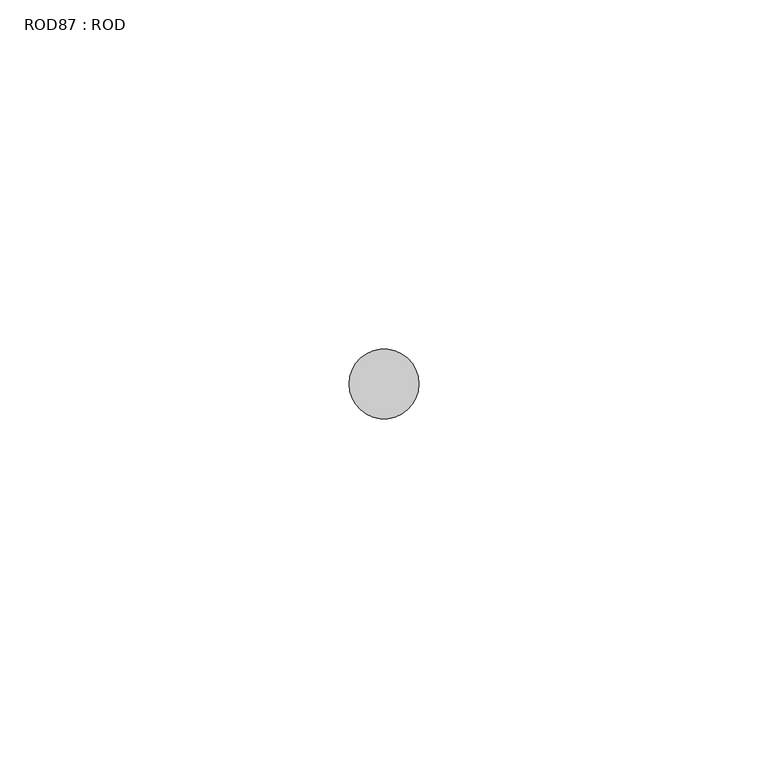
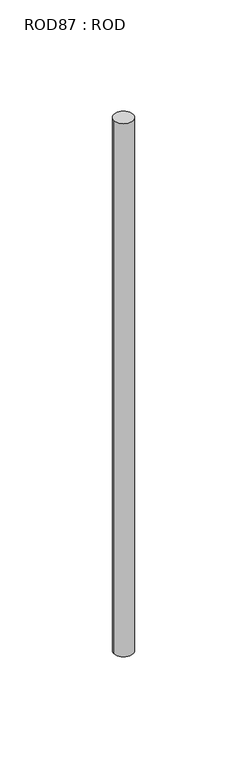
"""IFC4 building model written with IfcOpenShell, lengths in millimetres: proxy geometry, ROD87 : ROD."""

from ifc_helpers import new_model, si_unit, point, frame, frame_2d, origin, place, context, project, spatial, circle_curve, trimmed, segment, composite_curve, outline, extrude, source, transform, mapped, element, save


def rod87_rod_fb63ca14(model_context):
    return source(origin(), model_context, "Body", "SweptSolid", [
        extrude(outline(composite_curve([segment(trimmed(circle_curve(frame_2d((-9420.2326676, -12414.6300853)), 5.0), [point((-9425.2326676, -12414.6300853))], [point((-9415.2326676, -12414.6300853))], False, "CARTESIAN"), True, "CONTINUOUS"), segment(trimmed(circle_curve(frame_2d((-9420.2326676, -12414.6300853)), 5.0), [point((-9415.2326676, -12414.6300853))], [point((-9425.2326676, -12414.6300853))], False, "CARTESIAN"), True, "CONTINUOUS")], self_intersect=False)), frame((0.0, 0.0, -208.6608845), z_axis=(0.0, 0.0, 1.0), x_axis=(1.0, 0.0, 0.0)), (0.0, 0.0, 1.0), 298.9028972),
    ])


if __name__ == "__main__":
    model = new_model("IFC4")
    model_context = context("Model", 3, world=origin())
    ifc_project = project(units=[si_unit("LENGTHUNIT", "METRE", prefix="MILLI")], contexts=[model_context])
    site = spatial("IfcSite", under=ifc_project)
    building = spatial("IfcBuilding", under=site)
    placement = place(None, origin())
    rod87_rod_shape = rod87_rod_fb63ca14(model_context)
    element("IfcBuildingElementProxy", 1, Name="ROD87 : ROD", ObjectType="ROD87 : ROD", at=placement, inside=building, context=model_context, shape_type="MappedRepresentation", body=[
        mapped(rod87_rod_shape, transform((0.0, 0.0, 0.0), x_axis=(1.0, 0.0, 0.0), y_axis=(0.0, 1.0, 0.0), z_axis=(0.0, 0.0, 1.0))),
    ])
    save(model, "model.ifc")
